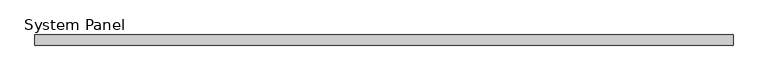
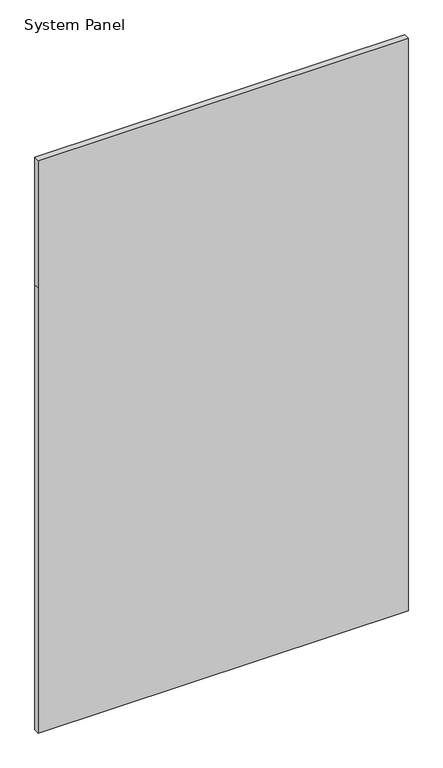
"""IFC4 building model written with IfcOpenShell, lengths in millimetres: plate geometry, System Panel."""

from ifc_helpers import new_model, si_unit, frame, origin, place, context, project, spatial, polyline, outline, extrude, source, transform, mapped, element, save


def system_panel_79942520(model_context):
    return source(origin(), model_context, "Body", "SweptSolid", [
        extrude(outline(polyline([(0.0, -838.2), (0.0, 838.2), (2133.6, 838.2), (2743.2, 838.2), (2743.2, -838.2), (2133.6, -838.2), (0.0, -838.2)])), frame((0.0, 19.05, 0.0), z_axis=(0.0, 1.0, 0.0), x_axis=(0.0, 0.0, 1.0)), (0.0, 0.0, 1.0), 25.4),
    ])


if __name__ == "__main__":
    model = new_model("IFC4")
    model_context = context("Model", 3, world=origin())
    ifc_project = project(units=[si_unit("LENGTHUNIT", "METRE", prefix="MILLI")], contexts=[model_context])
    site = spatial("IfcSite", under=ifc_project)
    building = spatial("IfcBuilding", under=site)
    placement = place(None, origin())
    system_panel_shape = system_panel_79942520(model_context)
    element("IfcPlate", 1, ObjectType="System Panel", at=placement, inside=building, context=model_context, shape_type="MappedRepresentation", body=[
        mapped(system_panel_shape, transform((0.0, 0.0, 0.0), x_axis=(1.0, 0.0, 0.0), y_axis=(0.0, 1.0, 0.0), z_axis=(0.0, 0.0, 1.0))),
    ])
    save(model, "model.ifc")
